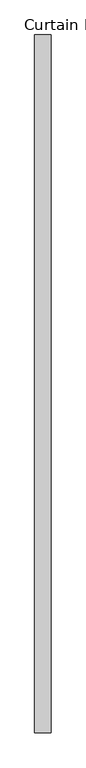
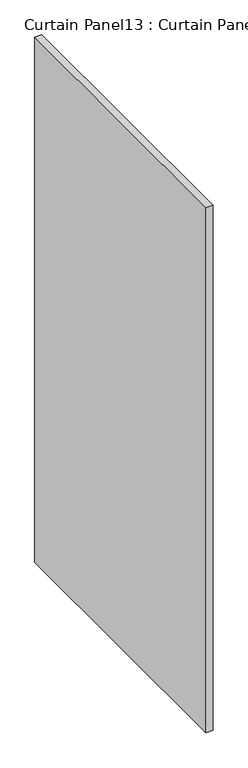
"""IFC4 building model written with IfcOpenShell, lengths in millimetres: plate geometry, Curtain Panel13 : Curtain Panel."""

from ifc_helpers import new_model, si_unit, frame, origin, place, context, project, spatial, polyline, outline, extrude, source, transform, mapped, element, save


def curtain_panel13_curtain_panel_85359ed8(model_context):
    return source(origin(), model_context, "Body", "SweptSolid", [
        extrude(outline(polyline([(-290876.6259027, 732.7785239), (-290876.6259027, -336.0058511), (-290902.0259027, -336.0058511), (-290902.0259027, 732.7785239), (-290876.6259027, 732.7785239)])), frame((0.0, 0.0, -3576.637373), z_axis=(0.0, 0.0, 1.0), x_axis=(1.0, 0.0, 0.0)), (0.0, 0.0, 1.0), 2000.2236964),
    ])


if __name__ == "__main__":
    model = new_model("IFC4")
    model_context = context("Model", 3, world=origin())
    ifc_project = project(units=[si_unit("LENGTHUNIT", "METRE", prefix="MILLI")], contexts=[model_context])
    site = spatial("IfcSite", under=ifc_project)
    building = spatial("IfcBuilding", under=site)
    placement = place(None, origin())
    curtain_panel13_curtain_panel_shape = curtain_panel13_curtain_panel_85359ed8(model_context)
    element("IfcPlate", 1, ObjectType="Curtain Panel13 : Curtain Panel", at=placement, inside=building, context=model_context, shape_type="MappedRepresentation", body=[
        mapped(curtain_panel13_curtain_panel_shape, transform((0.0, 0.0, 0.0), x_axis=(1.0, 0.0, 0.0), y_axis=(0.0, 1.0, 0.0), z_axis=(0.0, 0.0, 1.0))),
    ])
    save(model, "model.ifc")
